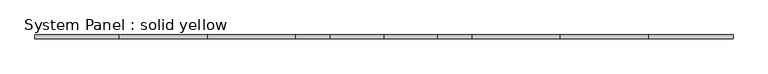
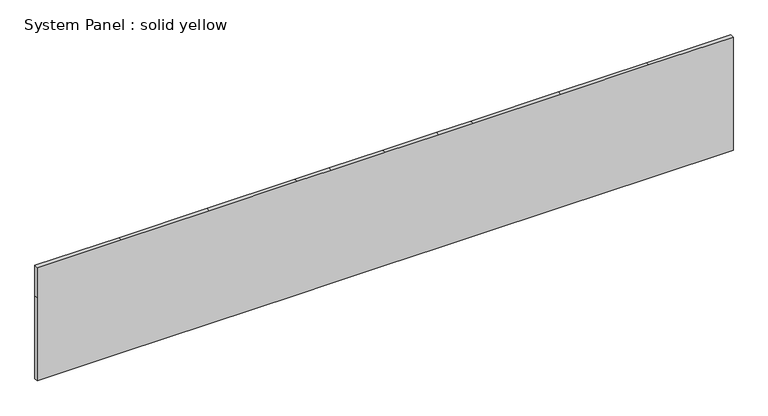
"""IFC4 building model written with IfcOpenShell, lengths in millimetres: plate geometry, System Panel : solid yellow."""

from ifc_helpers import new_model, si_unit, frame, origin, place, context, project, spatial, polyline, outline, extrude, source, transform, mapped, element, save


def system_panel_solid_yellow_045d9c10(model_context):
    return source(origin(), model_context, "Body", "SweptSolid", [
        extrude(outline(polyline([(0.0, -5930.9), (0.0, -4495.8), (0.0, -2997.2), (0.0, -1498.6), (0.0, -914.4), (0.0, 0.0), (0.0, 914.4), (0.0, 1498.6), (0.0, 2997.2), (0.0, 4495.8), (0.0, 5930.9), (1492.25, 5930.9), (2038.35, 5930.9), (2038.35, 4495.8), (2038.35, 2997.2), (2038.35, 1498.6), (2038.35, 914.4), (2038.35, 0.0), (2038.35, -914.4), (2038.35, -1498.6), (2038.35, -2997.2), (2038.35, -4495.8), (2038.35, -5930.9), (1492.25, -5930.9), (0.0, -5930.9)])), frame((0.0, -19.05, 0.0), z_axis=(0.0, 1.0, 0.0), x_axis=(0.0, 0.0, 1.0)), (0.0, 0.0, 1.0), 63.5),
    ])


if __name__ == "__main__":
    model = new_model("IFC4")
    model_context = context("Model", 3, world=origin())
    ifc_project = project(units=[si_unit("LENGTHUNIT", "METRE", prefix="MILLI")], contexts=[model_context])
    site = spatial("IfcSite", under=ifc_project)
    building = spatial("IfcBuilding", under=site)
    placement = place(None, origin())
    system_panel_solid_yellow_shape = system_panel_solid_yellow_045d9c10(model_context)
    element("IfcPlate", 1, ObjectType="System Panel : solid yellow", at=placement, inside=building, context=model_context, shape_type="MappedRepresentation", body=[
        mapped(system_panel_solid_yellow_shape, transform((0.0, 0.0, 0.0), x_axis=(1.0, 0.0, 0.0), y_axis=(0.0, 1.0, 0.0), z_axis=(0.0, 0.0, 1.0))),
    ])
    save(model, "model.ifc")
